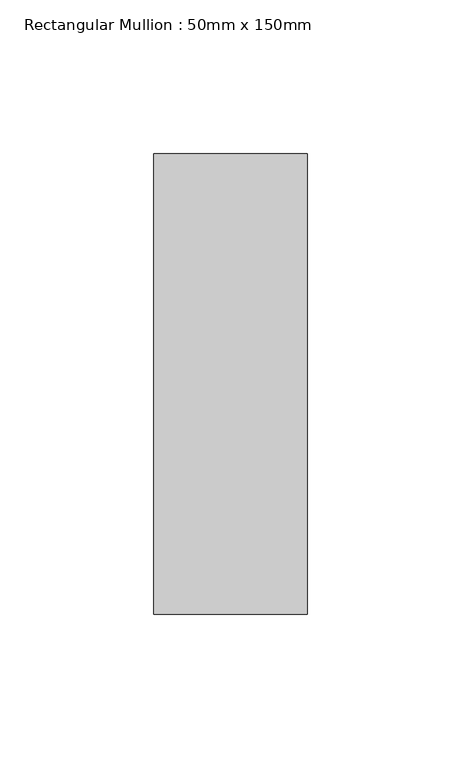
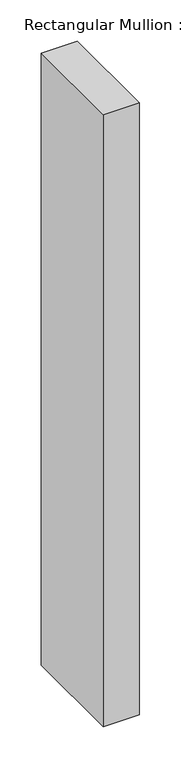
"""IFC4 building model written with IfcOpenShell, lengths in millimetres: member geometry, Rectangular Mullion : 50mm x 150mm."""

from ifc_helpers import new_model, si_unit, frame, origin, place, context, project, spatial, polyline, outline, extrude, source, transform, mapped, element, save


def rectangular_mullion_50mm_x_150mm_5bb634a7(model_context):
    return source(origin(), model_context, "Body", "SweptSolid", [
        extrude(outline(polyline([(0.0, 75.0), (0.0, -75.0), (-50.0, -75.0), (-50.0, 75.0), (0.0, 75.0)])), frame((0.0, 0.0, -903.3333333), z_axis=(0.0, 0.0, 1.0), x_axis=(1.0, 0.0, 0.0)), (0.0, 0.0, 1.0), 903.3333333),
    ])


if __name__ == "__main__":
    model = new_model("IFC4")
    model_context = context("Model", 3, world=origin())
    ifc_project = project(units=[si_unit("LENGTHUNIT", "METRE", prefix="MILLI")], contexts=[model_context])
    site = spatial("IfcSite", under=ifc_project)
    building = spatial("IfcBuilding", under=site)
    placement = place(None, origin())
    rectangular_mullion_50mm_x_150mm_shape = rectangular_mullion_50mm_x_150mm_5bb634a7(model_context)
    element("IfcMember", 1, ObjectType="Rectangular Mullion : 50mm x 150mm", at=placement, inside=building, context=model_context, shape_type="MappedRepresentation", body=[
        mapped(rectangular_mullion_50mm_x_150mm_shape, transform((0.0, 0.0, 0.0), x_axis=(1.0, 0.0, 0.0), y_axis=(0.0, 1.0, 0.0), z_axis=(0.0, 0.0, 1.0))),
    ])
    save(model, "model.ifc")
